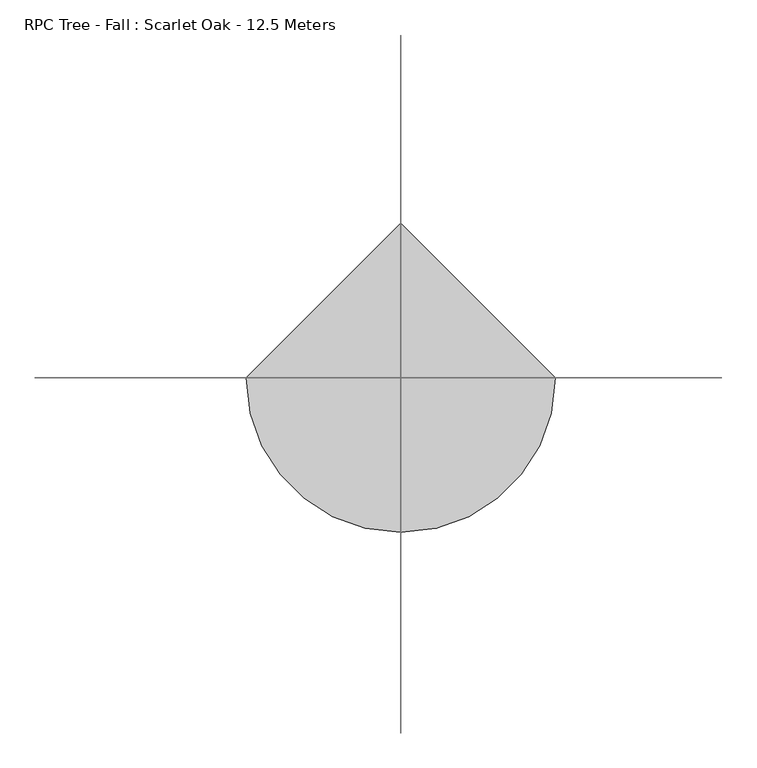
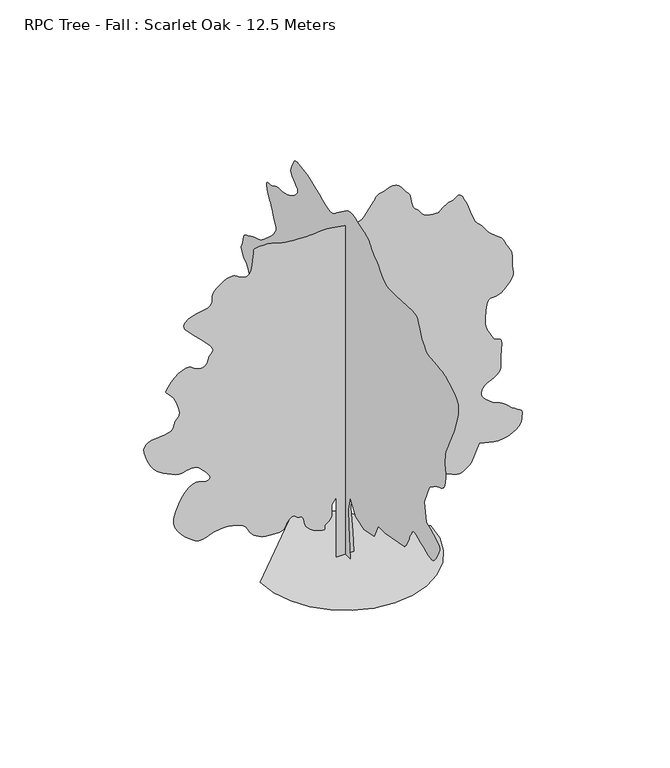
"""IFC4 building model written with IfcOpenShell, lengths in millimetres: geographic element geometry, RPC Tree - Fall : Scarlet Oak - 12.5 Meters."""

import ifcopenshell
import ifcopenshell.guid

model = None  # the IFC model being written
_history = None  # IfcOwnerHistory: only IFC2X3 demands one
_inside = {}  # id of a spatial element -> (the spatial element, [elements in it])
_under = {}  # id of a project, library or spatial element -> (it, [spatial elements below it])
_declared = {}  # id of a project -> (the project, [libraries it declares])
_typed = {}  # id of a type object -> (the type object, [elements of that type])
_made_of = {}  # id of a material, layer set ... -> (it, [elements and type objects made of it])


def new_model(schema):
    """Start an empty IFC model of exactly this schema.

    Asked for "IFC4X3", IfcOpenShell would pick the latest addendum, in which some entities
    have other attributes; the version numbers below select the first issue.
    IFC2X3 requires an IfcOwnerHistory on every rooted entity: one is made here for all.
    """
    global model, _history
    if schema == "IFC4X3":
        model = ifcopenshell.file(schema_version=(4, 3, 0, 0))
    else:
        model = ifcopenshell.file(schema=schema)
    _inside.clear()
    _under.clear()
    _declared.clear()
    _typed.clear()
    _made_of.clear()
    _history = None
    if model.schema == "IFC2X3":
        org = make("IfcOrganization", Name="unknown")
        user = make(
            "IfcPersonAndOrganization",
            ThePerson=make("IfcPerson", FamilyName="unknown"),
            TheOrganization=org,
        )
        app = make(
            "IfcApplication",
            ApplicationDeveloper=org,
            Version="unknown",
            ApplicationFullName="unknown",
            ApplicationIdentifier="unknown",
        )
        _history = make(
            "IfcOwnerHistory",
            OwningUser=user,
            OwningApplication=app,
            ChangeAction="ADDED",
            CreationDate=0,
        )
    return model


def make(cls, **values):
    """One entity of the class cls with the attributes given. An attribute that is None is left unset."""
    return model.create_entity(
        cls, **{name: value for name, value in values.items() if value is not None}
    )


def rooted(cls, **values):
    """An entity with a GlobalId (a new one), such as an element, a storey or a relation."""
    return make(cls, GlobalId=ifcopenshell.guid.new(), OwnerHistory=_history, **values)


def si_unit(unit_type, name, prefix=None):
    """IfcSIUnit, for example si_unit("LENGTHUNIT", "METRE", prefix="MILLI")."""
    return make("IfcSIUnit", UnitType=unit_type, Prefix=prefix, Name=name)


def assignment(units):
    """IfcUnitAssignment: the units of a project."""
    return None if units is None else make("IfcUnitAssignment", Units=units)


def point(xyz):
    """IfcCartesianPoint."""
    return None if xyz is None else make("IfcCartesianPoint", Coordinates=xyz)


def direction(xyz):
    """IfcDirection."""
    return None if xyz is None else make("IfcDirection", DirectionRatios=xyz)


def frame(location, z_axis=None, x_axis=None):
    """IfcAxis2Placement3D, a coordinate frame: its origin and axes. An axis left out is left unset."""
    return make(
        "IfcAxis2Placement3D",
        Location=point(location),
        Axis=direction(z_axis),
        RefDirection=direction(x_axis),
    )


def origin():
    """The frame at (0, 0, 0) with its axes left unset."""
    return frame((0.0, 0.0, 0.0))


def place(relative_to, where):
    """IfcLocalPlacement: puts the frame where relative to a parent placement (None: the world)."""
    return make(
        "IfcLocalPlacement", PlacementRelTo=relative_to, RelativePlacement=where
    )


def context(
    kind, dimensions, precision=None, world=None, true_north=None, identifier=None
):
    """IfcGeometricRepresentationContext, for example the 3D "Model" context."""
    return make(
        "IfcGeometricRepresentationContext",
        ContextIdentifier=identifier,
        ContextType=kind,
        CoordinateSpaceDimension=dimensions,
        Precision=precision,
        WorldCoordinateSystem=world,
        TrueNorth=true_north,
    )


def project(units=None, contexts=None):
    """IfcProject with its units and contexts."""
    return rooted(
        "IfcProject",
        Name="project",
        RepresentationContexts=contexts,
        UnitsInContext=assignment(units),
    )


def spatial(cls, under=None, at=None, **own):
    """A site, building, storey or space (cls), placed at a placement, below another one or the project."""
    s = rooted(cls, ObjectPlacement=at, **own)
    if under is not None:
        _under.setdefault(under.id(), (under, []))[1].append(s)
    return s


def point_list(points):
    """IfcCartesianPointList2D or 3D."""
    cls = (
        "IfcCartesianPointList2D" if len(points[0]) == 2 else "IfcCartesianPointList3D"
    )
    return make(cls, CoordList=points)


def triangles(points, corners, closed=None, point_numbers=None):
    """IfcTriangulatedFaceSet: each triangle names its three corners, points numbered from 1."""
    return make(
        "IfcTriangulatedFaceSet",
        Coordinates=point_list(points),
        Closed=closed,
        CoordIndex=corners,
        PnIndex=point_numbers,
    )


def shape(context_of_items, identifier, shape_type, items):
    """IfcShapeRepresentation: the items that make up one representation, for example the "Body"."""
    return make(
        "IfcShapeRepresentation",
        ContextOfItems=context_of_items,
        RepresentationIdentifier=identifier,
        RepresentationType=shape_type,
        Items=items,
    )


def source(mapping_origin, context_of_items, identifier, shape_type, items):
    """IfcRepresentationMap: a shape defined once, which mapped items show again and again."""
    return make(
        "IfcRepresentationMap",
        MappingOrigin=mapping_origin,
        MappedRepresentation=shape(context_of_items, identifier, shape_type, items),
    )


def transform(
    local_origin,
    x_axis=None,
    y_axis=None,
    z_axis=None,
    scale=None,
    scale2=None,
    scale3=None,
    uniform=True,
):
    """IfcCartesianTransformationOperator3D, or its non-uniform kind. x_axis, y_axis, z_axis: its Axis1, 2, 3."""
    if uniform:
        return make(
            "IfcCartesianTransformationOperator3D",
            Axis1=direction(x_axis),
            Axis2=direction(y_axis),
            LocalOrigin=point(local_origin),
            Scale=scale,
            Axis3=direction(z_axis),
        )
    return make(
        "IfcCartesianTransformationOperator3DnonUniform",
        Axis1=direction(x_axis),
        Axis2=direction(y_axis),
        LocalOrigin=point(local_origin),
        Scale=scale,
        Axis3=direction(z_axis),
        Scale2=scale2,
        Scale3=scale3,
    )


def mapped(mapping_source, mapping_target):
    """IfcMappedItem: shows the shape of a source again, moved by a transform."""
    return make(
        "IfcMappedItem", MappingSource=mapping_source, MappingTarget=mapping_target
    )


def made_of(thing, what):
    """Note that an element or type object is made of a material, layer set ...; save() writes the relation."""
    if what is not None:
        _made_of.setdefault(what.id(), (what, []))[1].append(thing)
    return thing


def element(
    cls,
    number,
    at=None,
    inside=None,
    cuts=None,
    type_object=None,
    material=None,
    context=None,
    identifier="Body",
    shape_type=None,
    held_by="IfcProductDefinitionShape",
    body=None,
    shapes=None,
    **own,
):
    """One element of the class cls, such as IfcWall. Its Tag is "e" and its number.

    at: its placement. inside: the storey or other place that contains it. cuts: it is an
    opening in that element (IfcRelVoidsElement). A single representation is given by context,
    identifier, shape_type and body (its items); several are given by shapes. held_by: the class
    of the entity that holds the representations. save() writes the other relations.
    """
    e = rooted(cls, Tag="e%d" % number, ObjectPlacement=at, **own)
    if body is not None:
        shapes = [shape(context, identifier, shape_type, body)]
    if shapes is not None:
        e.Representation = make(held_by, Representations=shapes)
    if inside is not None:
        _inside.setdefault(inside.id(), (inside, []))[1].append(e)
    if cuts is not None:
        rooted(
            "IfcRelVoidsElement", RelatingBuildingElement=cuts, RelatedOpeningElement=e
        )
    if type_object is not None:
        _typed.setdefault(type_object.id(), (type_object, []))[1].append(e)
    return made_of(e, material)


def aggregate(whole, parts):
    """IfcRelAggregates: a whole, such as a stair, and the parts it consists of."""
    return rooted("IfcRelAggregates", RelatingObject=whole, RelatedObjects=parts)


def save(model, path):
    """Write the relations noted so far, then the file.

    IfcRelAggregates (storeys below a building ...), IfcRelContainedInSpatialStructure (elements
    in a storey), IfcRelDefinesByType, IfcRelAssociatesMaterial and IfcRelDeclares: one each for
    every whole, place, type object, material and project.
    """
    for whole, parts in _under.values():
        aggregate(whole, parts)
    for where, things in _inside.values():
        rooted(
            "IfcRelContainedInSpatialStructure",
            RelatedElements=things,
            RelatingStructure=where,
        )
    for kind, things in _typed.values():
        rooted("IfcRelDefinesByType", RelatedObjects=things, RelatingType=kind)
    for what, things in _made_of.values():
        rooted("IfcRelAssociatesMaterial", RelatedObjects=things, RelatingMaterial=what)
    for by, libraries in _declared.values():
        rooted("IfcRelDeclares", RelatingContext=by, RelatedDefinitions=libraries)
    model.write(path)


def rpc_tree_fall_scarlet_oak_12_5_meters_d3d1dc00(model_context):
    return source(origin(), model_context, "Body", "Tessellation", [
        triangles([(0.0041401, 73.4418017, 0.0), (0.0041401, -70.4556014, 0.0), (0.0041401, -47.2463985, 273.868803), (0.0041401, -42.6044398, 403.840212), (0.0041401, -70.4556014, 524.5284122), (0.0041401, -144.7254049, 403.840212), (0.0041401, -265.4129964, 366.7055964), (0.0041401, -404.6682137, 399.1985985), (0.0041401, -460.3704097, 515.2446038), (0.0041401, -557.8494161, 515.2446038), (0.0041401, -827.0760424, 566.3051863), (0.0041401, -836.9819784, 578.2548203), (0.0041401, -846.6480309, 590.2854086), (0.0041401, -855.8220348, 602.4780147), (0.0041401, -864.2640341, 614.9160273), (0.0041401, -871.7339996, 627.678039), (0.0041401, -877.9860163, 640.84802), (0.0041401, -882.7799824, 654.4979862), (0.0041401, -887.4360209, 668.562026), (0.0041401, -893.3100082, 682.8660221), (0.0041401, -900.1980326, 697.3740028), (0.0041401, -907.8960365, 712.0440376), (0.0041401, -916.2059944, 726.8339779), (0.0041401, -924.9180353, 741.7079973), (0.0041401, -933.8400198, 756.6179884), (0.0041401, -938.0880163, 761.4360083), (0.0041401, -943.9620037, 765.3239977), (0.0041401, -953.0820139, 767.3400084), (0.0041401, -967.0740377, 766.5540098), (0.0041401, -987.5639935, 762.0359716), (0.0041401, -1016.1719856, 752.8440182), (0.0041401, -1054.5240051, 738.0540052), (0.0041401, -1095.0179724, 720.6480183), (0.0041401, -1129.5000246, 705.11401), (0.0041401, -1158.7860277, 692.7420181), (0.0041401, -1183.686034, 684.8400295), (0.0041401, -1205.0159821, 682.7040407), (0.0041401, -1223.5799652, 687.6299755), (0.0041401, -1240.2000263, 700.9200073), (0.0041401, -1256.9700783, 721.8539766), (0.0041401, -1274.3040493, 747.3359968), (0.0041401, -1290.5040779, 775.0920061), (0.0041401, -1303.8599487, 802.8480154), (0.0041401, -1312.6679867, 828.3300356), (0.0041401, -1315.2300396, 849.2700365), (0.0041401, -1309.8300785, 863.3820385), (0.0041401, -1296.6359711, 874.0079887), (0.0041401, -1277.5920753, 885.8460016), (0.0041401, -1253.6820522, 898.7040104), (0.0041401, -1225.8660175, 912.3719988), (0.0041401, -1195.1340271, 926.6520138), (0.0041401, -1162.4520103, 941.3340391), (0.0041401, -1128.7980326, 956.2199764), (0.0041401, -1100.9460262, 1114.0439913), (0.0041401, -1170.5699741, 1276.5059498), (0.0041401, -1172.7659883, 1279.6079407), (0.0041401, -1176.1739925, 1283.3940468), (0.0041401, -1182.0239988, 1288.5659695), (0.0041401, -1191.5220383, 1295.8079693), (0.0041401, -1205.8920187, 1305.8040161), (0.0041401, -1226.3579933, 1319.2559566), (0.0041401, -1254.1260658, 1336.8540104), (0.0041401, -1284.2519886, 1352.7960606), (0.0041401, -1310.9640209, 1363.2119946), (0.0041401, -1334.2679764, 1371.6840065), (0.0041401, -1354.1640003, 1381.782082), (0.0041401, -1370.6459885, 1397.0760612), (0.0041401, -1383.7200451, 1421.1360752), (0.0041401, -1393.3800659, 1457.5380684), (0.0041401, -1398.9720211, 1493.2919907), (0.0041401, -1400.5800625, 1516.2180622), (0.0041401, -1399.3500504, 1531.1040722), (0.0041401, -1396.4099682, 1542.7440594), (0.0041401, -1392.9059669, 1555.9259583), (0.0041401, -1389.9719891, 1575.437994), (0.0041401, -1388.7419769, 1606.080019), (0.0041401, -1389.1740726, 1639.8840603), (0.0041401, -1391.0700325, 1667.9220291), (0.0041401, -1395.318029, 1693.5300591), (0.0041401, -1402.8120483, 1720.0259708), (0.0041401, -1414.4520355, 1750.7460434), (0.0041401, -1431.1260178, 1789.0200153), (0.0041401, -1453.7220222, 1838.171957), (0.0041401, -1475.17798, 1882.6019485), (0.0041401, -1489.4820488, 1909.4100506), (0.0041401, -1499.1539875, 1925.9879631), (0.0041401, -1506.7199501, 1939.7220085), (0.0041401, -1514.6940273, 1958.0040321), (0.0041401, -1525.5840603, 1988.2260246), (0.0041401, -1541.9220165, 2037.7680588), (0.0041401, -1559.5260292, 2095.0799675), (0.0041401, -1571.3700737, 2144.4359665), (0.0041401, -1575.6600735, 2186.9699982), (0.0041401, -1570.6080563, 2223.8219639), (0.0041401, -1554.4379677, 2256.1259514), (0.0041401, -1525.3560219, 2285.0160484), (0.0041401, -1481.5739559, 2311.63797), (0.0041401, -1439.0939907, 2333.5200645), (0.0041401, -1411.1519463, 2348.5860054), (0.0041401, -1391.8140278, 2358.5279858), (0.0041401, -1375.1519634, 2365.0679935), (0.0041401, -1355.2440216, 2369.8980766), (0.0041401, -1326.1620758, 2374.7280144), (0.0041401, -1281.9779995, 2381.2680222), (0.0041401, -1234.5839447, 2386.422068), (0.0041401, -1197.827976, 2388.4139523), (0.0041401, -1168.704027, 2390.8860397), (0.0041401, -1144.21199, 2397.5039497), (0.0041401, -1121.3399849, 2411.9160061), (0.0041401, -1097.0879768, 2437.7820145), (0.0041401, -1068.449972, 2478.7440491), (0.0041401, -1043.4419781, 2523.7799629), (0.0041401, -1028.6640284, 2559.9719398), (0.0041401, -1019.0040075, 2588.1178963), (0.0041401, -1009.3380278, 2609.039875), (0.0041401, -994.5600054, 2623.5480011), (0.0041401, -969.5520115, 2632.4521088), (0.0041401, -929.1959719, 2636.5681366), (0.0041401, -706.3860254, 2622.6419518), (0.0041401, -665.3160032, 2623.3619659), (0.0041401, -631.8780006, 2623.2660416), (0.0041401, -603.4679978, 2624.9580894), (0.0041401, -577.4987981, 2631.0301025), (0.0041401, -551.3664179, 2644.0920959), (0.0041401, -522.473414, 2666.7299583), (0.0041401, -488.221217, 2701.5539955), (0.0041401, -455.2146197, 2736.7259766), (0.0041401, -430.4892031, 2760.6899208), (0.0041401, -412.0979928, 2776.4581444), (0.0041401, -398.0909989, 2787.0298828), (0.0041401, -386.5205933, 2795.4061157), (0.0041401, -375.4367858, 2804.5918922), (0.0041401, -362.8919847, 2817.6001099), (0.0041401, -350.847589, 2832.9599281), (0.0041401, -340.9949927, 2847.2639969), (0.0041401, -330.9809964, 2860.596032), (0.0041401, -318.4493849, 2873.0281219), (0.0041401, -301.045796, 2884.6559006), (0.0041401, -276.4151955, 2895.5520378), (0.0041401, -242.2038026, 2905.7941452), (0.0041401, -203.797208, 2917.0800842), (0.0041401, -167.9886015, 2929.5839722), (0.0041401, -134.5344026, 2941.1161171), (0.0041401, -103.1922024, 2949.4801414), (0.0041401, -73.7172028, 2952.4860626), (0.0041401, -45.8659186, 2947.9380844), (0.0041401, -19.3952392, 2933.6459335), (0.0041401, 119.8601984, 2831.526004), (0.0041401, 134.9358044, 2817.8038765), (0.0041401, 149.524803, 2805.2999886), (0.0041401, 165.4121963, 2795.2258942), (0.0041401, 184.3860018, 2788.8120415), (0.0041401, 208.2312033, 2787.2699844), (0.0041401, 238.7346103, 2791.8179626), (0.0041401, 277.682996, 2803.673925), (0.0041401, 321.8819879, 2821.278083), (0.0041401, 366.4056147, 2841.0780373), (0.0041401, 410.4419892, 2861.2861061), (0.0041401, 453.1793879, 2880.1079224), (0.0041401, 493.8060142, 2895.768013), (0.0041401, 531.5088, 2906.4720108), (0.0041401, 565.4772208, 2910.4380478), (0.0041401, 596.3730094, 2912.603904), (0.0041401, 625.0739828, 2917.5300568), (0.0041401, 651.1019726, 2922.8579292), (0.0041401, 673.9560282, 2926.242025), (0.0041401, 693.161978, 2925.3240578), (0.0041401, 708.2220325, 2917.746032), (0.0041401, 718.6559887, 2901.1499519), (0.0041401, 727.9799835, 2880.3000618), (0.0041401, 738.6839813, 2861.0701309), (0.0041401, 748.7399809, 2842.8119431), (0.0041401, 756.119981, 2824.878154), (0.0041401, 758.7839899, 2806.6260704), (0.0041401, 754.710038, 2787.3961395), (0.0041401, 741.8699787, 2766.5401451), (0.0041401, 722.2200153, 2747.4299744), (0.0041401, 701.1840174, 2732.4599579), (0.0041401, 681.9420233, 2719.5241196), (0.0041401, 667.6500177, 2706.5039841), (0.0041401, 661.4820076, 2691.2941566), (0.0041401, 666.5939775, 2671.7819756), (0.0041401, 686.1660387, 2645.8501282), (0.0041401, 713.1899706, 2620.0139145), (0.0041401, 738.6719908, 2601.1679718), (0.0041401, 762.774008, 2587.7519302), (0.0041401, 785.6580036, 2578.2420456), (0.0041401, 807.4860317, 2571.077948), (0.0041401, 828.4260326, 2564.7358932), (0.0041401, 848.6279972, 2557.6560928), (0.0041401, 868.8059807, 2552.2020653), (0.0041401, 889.5539875, 2550.4018845), (0.0041401, 910.8659861, 2550.2280579), (0.0041401, 932.748008, 2549.6461166), (0.0041401, 955.1999805, 2546.6279869), (0.0041401, 978.2219765, 2539.1400719), (0.0041401, 1001.8080368, 2525.1659248), (0.0041401, 1026.1859819, 2512.7521477), (0.0041401, 1050.1499989, 2508.3000938), (0.0041401, 1071.5999977, 2507.2559715), (0.0041401, 1088.4240435, 2505.0779068), (0.0041401, 1098.5040241, 2497.2179214), (0.0041401, 1099.7340363, 2479.121933), (0.0041401, 1090.0080311, 2446.2538811), (0.0041401, 1075.632019, 2411.6639866), (0.0041401, 1063.6980091, 2388.3600311), (0.0041401, 1053.221977, 2371.71003), (0.0041401, 1043.2379934, 2357.0940617), (0.0041401, 1032.762034, 2339.8799961), (0.0041401, 1020.8219925, 2315.4419529), (0.0041401, 1006.4520121, 2279.1479473), (0.0041401, 991.2660204, 2243.4479462), (0.0041401, 978.1979954, 2220.9000492), (0.0041401, 968.2079802, 2207.039994), (0.0041401, 962.279999, 2197.4039543), (0.0041401, 961.3860128, 2187.5279583), (0.0041401, 966.5040144, 2172.9359711), (0.0041401, 978.6000057, 2149.1760841), (0.0041401, 1000.1340111, 2117.6820763), (0.0041401, 1030.349972, 2084.244001), (0.0041401, 1065.4439781, 2050.8839733), (0.0041401, 1101.5879929, 2019.636026), (0.0041401, 1134.9780333, 1992.5280876), (0.0041401, 1161.78599, 1971.5940456), (0.0041401, 1178.2019938, 1958.856015), (0.0041401, 1192.7760315, 1950.8880421), (0.0041401, 1214.6579807, 1942.8360626), (0.0041401, 1240.9259995, 1934.6220291), (0.0041401, 1268.6580276, 1926.1620804), (0.0041401, 1294.9260464, 1917.3780235), (0.0041401, 1316.8079956, 1908.1919563), (0.0041401, 1331.3819607, 1898.5140587), (0.0041401, 1343.5860123, 1890.4739971), (0.0041401, 1359.1260521, 1884.7920765), (0.0041401, 1376.2020447, 1879.2720646), (0.0041401, 1393.038081, 1871.7180199), (0.0041401, 1407.8460434, 1859.946064), (0.0041401, 1418.8320007, 1841.7540058), (0.0041401, 1424.2200439, 1814.957967), (0.0041401, 1428.6299492, 1788.0420227), (0.0041401, 1436.207975, 1769.0040859), (0.0041401, 1444.4340717, 1754.9159924), (0.0041401, 1450.7999622, 1742.8559727), (0.0041401, 1452.7739697, 1729.9080711), (0.0041401, 1447.8479622, 1713.1380192), (0.0041401, 1433.5020355, 1689.6300064), (0.0041401, 1415.6939655, 1667.6099842), (0.0041401, 1401.2939724, 1654.4459621), (0.0041401, 1389.1679684, 1645.9079659), (0.0041401, 1378.1760521, 1637.7719799), (0.0041401, 1367.1899494, 1625.8199478), (0.0041401, 1355.0639454, 1605.8339584), (0.0041401, 1340.6639523, 1573.5840374), (0.0041401, 1324.9679626, 1541.2800499), (0.0041401, 1310.5679695, 1520.9160313), (0.0041401, 1298.7660736, 1507.9380444), (0.0041401, 1290.8639397, 1497.7979656), (0.0041401, 1288.1580002, 1485.9600254), (0.0041401, 1291.943961, 1467.8640369), (0.0041401, 1303.530027, 1438.9739399), (0.0041401, 1318.920076, 1407.3719444), (0.0041401, 1333.4100346, 1382.8379768), (0.0041401, 1347.2580265, 1363.3380043), (0.0041401, 1360.6919449, 1346.837994), (0.0041401, 1373.9700588, 1331.3159763), (0.0041401, 1387.326075, 1314.7380638), (0.0041401, 1401.0060539, 1295.0760372), (0.0041401, 1416.8819744, 1275.6840523), (0.0041401, 1435.3559921, 1259.8620529), (0.0041401, 1454.4780807, 1245.504063), (0.0041401, 1472.3040276, 1230.4920433), (0.0041401, 1486.8779926, 1212.7259766), (0.0041401, 1496.2560539, 1190.0820099), (0.0041401, 1498.4880398, 1160.4599808), (0.0041401, 1500.3659775, 1137.1980286), (0.0041401, 1507.2840145, 1129.5240057), (0.0041401, 1515.1739399, 1129.1580397), (0.0041401, 1519.9800419, 1127.8200399), (0.0041401, 1517.6339642, 1117.2240297), (0.0041401, 1504.0920582, 1089.0899912), (0.0041401, 1475.2800087, 1035.1320202), (0.0041401, 1445.1539406, 974.6099876), (0.0041401, 1426.9679867, 930.0900307), (0.0041401, 1415.5980412, 898.2299841), (0.0041401, 1405.9380203, 875.7120272), (0.0041401, 1392.8639637, 859.2000263), (0.0041401, 1371.263974, 845.3699839), (0.0041401, 1336.0260086, 830.8920158), (0.0041401, 1295.3399746, 819.1440411), (0.0041401, 1259.5319859, 814.2180336), (0.0041401, 1226.6460571, 813.8400043), (0.0041401, 1194.7379757, 815.7360369), (0.0041401, 1161.8519743, 817.6260378), (0.0041401, 1126.0439856, 817.2480085), (0.0041401, 1085.3639832, 812.3220011), (0.0041401, 1044.792041, 807.9120232), (0.0041401, 1009.7400381, 808.8600031), (0.0041401, 978.911978, 812.567989), (0.0041401, 951.0059778, 816.4380289), (0.0041401, 924.7260412, 817.8720257), (0.0041401, 898.7699947, 814.2720274), (0.0041401, 871.8360283, 803.0400095), (0.0041401, 846.0599854, 791.1000406), (0.0041401, 824.7420279, 784.848024), (0.0041401, 808.3800179, 780.8699965), (0.0041401, 797.4599722, 775.7580265), (0.0041401, 792.4679804, 766.0919741), (0.0041401, 793.8899866, 748.4759708), (0.0041401, 802.2120077, 719.4839905), (0.0041401, 815.6340082, 688.6860157), (0.0041401, 831.7380398, 666.8940319), (0.0041401, 850.0800161, 652.6199759), (0.0041401, 870.2040058, 644.3520212), (0.0041401, 891.6659952, 640.5899689), (0.0041401, 914.0219707, 639.8280241), (0.0041401, 936.8220325, 640.5720194), (0.0041401, 1025.0220268, 543.0959925), (0.0041401, 1031.9340322, 532.1202089), (0.0041401, 1038.5640055, 520.9422212), (0.0041401, 1044.629987, 509.3580082), (0.0041401, 1049.8380266, 497.1642031), (0.0041401, 1053.9119785, 484.1592193), (0.0041401, 1056.5639969, 470.1389995), (0.0041401, 1057.5119768, 454.9007944), (0.0041401, 1057.3499954, 439.0128107), (0.0041401, 1056.2159803, 423.2873898), (0.0041401, 1053.12598, 407.8872033), (0.0041401, 1047.1200239, 392.9736151), (0.0041401, 1037.2140152, 378.7098055), (0.0041401, 1022.4359928, 365.2577923), (0.0041401, 1001.8080368, 352.7802109), (0.0041401, 982.1340197, 342.1836193), (0.0041401, 968.3039772, 333.9420075), (0.0041401, 956.5020086, 327.568196), (0.0041401, 942.9119951, 322.5743875), (0.0041401, 923.7239948, 318.47402), (0.0041401, 895.1160027, 314.7791874), (0.0041401, 853.2719725, 311.0034004), (0.0041401, 805.6740057, 311.5446101), (0.0041401, 761.8140375, 319.8810199), (0.0041401, 720.875984, 334.1454108), (0.0041401, 682.0500109, 352.46882), (0.0041401, 644.5259932, 372.9851912), (0.0041401, 607.481997, 393.8262156), (0.0041401, 570.118798, 413.1240203), (0.0041401, 536.8001922, 430.6764009), (0.0041401, 511.0331966, 447.2543861), (0.0041401, 490.7064214, 462.4524047), (0.0041401, 473.7090214, 475.8636137), (0.0041401, 457.9296066, 487.0824057), (0.0041401, 441.2567871, 495.7032094), (0.0041401, 421.5797905, 501.3192183), (0.0041401, 399.9401957, 506.0555935), (0.0041401, 378.625799, 511.9289995), (0.0041401, 357.392393, 518.3711935), (0.0041401, 335.9970057, 524.8128061), (0.0041401, 314.1948117, 530.6862122), (0.0041401, 291.7434023, 535.4225873), (0.0041401, 268.3992059, 538.4537976), (0.0041401, 244.5270075, 540.0372039), (0.0041401, 220.6542096, 540.8898045), (0.0041401, 196.781993, 541.1333942), (0.0041401, 172.9097946, 540.8898045), (0.0041401, 149.0376053, 540.2807937), (0.0041401, 125.1647983, 539.4281931), (0.0041401, 101.2925999, 538.4537976), (0.0041401, 54.8743213, 468.8262162), (0.0041401, 45.5905221, 362.0640192), (67.3068019, 0.0001442, 0.0022109), (-71.9484018, 0.0001442, 0.0022109), (-71.9484018, 0.0001142, 510.6048071), (-109.0836033, 0.0001142, 459.544806), (-109.0836033, 0.0001202, 403.8426101), (-108.2310027, 0.0001202, 390.918617), (-108.2310027, 0.0001202, 378.0348104), (-109.9362039, 0.0001202, 365.2326121), (-114.1985981, 0.0001262, 352.5522088), (-121.8720033, 0.0001262, 340.0344046), (-133.8084023, 0.0001262, 327.7188046), (-150.8598051, 0.0001262, 315.647412), (-164.2169931, 0.0001262, 303.1158005), (-167.9118075, 0.0001262, 290.421608), (-167.059207, 0.0001262, 279.1085994), (-166.7747948, 0.0001262, 270.7175963), (-172.1747922, 0.0001262, 266.7929994), (-188.3736036, 0.0001262, 268.8774107), (-220.4873956, 0.0001262, 278.5127964), (-257.1216057, 0.0001262, 293.5212008), (-284.4990044, 0.0001262, 310.4778148), (-304.1621937, 0.0001262, 329.0592024), (-317.654993, 0.0001262, 348.9389846), (-326.5193865, 0.0001202, 369.7931986), (-332.2979945, 0.0001202, 391.2971912), (-336.5340005, 0.0001202, 413.1264184), (-337.6164199, 0.0001202, 419.0670078), (-339.2267867, 0.0001202, 424.8456159), (-341.8926124, 0.0001202, 430.3001884), (-346.1423893, 0.0001202, 435.2664187), (-352.5023935, 0.0001202, 439.5834154), (-361.5023892, 0.0001202, 443.0886157), (-373.6686161, 0.0001202, 445.6194205), (-385.8348066, 0.0001202, 449.7870077), (-395.4023912, 0.0001202, 456.7974083), (-403.7526083, 0.0001142, 464.3760155), (-412.2648067, 0.0001142, 470.2494215), (-422.3201886, 0.0001142, 472.1442186), (-435.2982119, 0.0001142, 467.7864178), (-452.5800058, 0.0001202, 454.9026112), (-467.7774067, 0.0001202, 436.8767856), (-476.3982104, 0.0001202, 419.2566038), (-482.663998, 0.0001202, 403.0170064), (-490.7970045, 0.0001202, 389.1318074), (-505.0205913, 0.0001202, 378.5766014), (-529.5557942, 0.0001202, 372.3240034), (-568.6260112, 0.0001202, 371.3496079), (-611.7960142, 0.0001202, 374.2188005), (-646.8480171, 0.0001202, 378.955212), (-675.318009, 0.0001202, 385.7219865), (-698.7600374, 0.0001202, 394.6805966), (-718.7099825, 0.0001202, 405.9941866), (-736.704015, 0.0001202, 419.8253918), (-754.301996, 0.0001202, 436.3356122), (-769.2239777, 0.0001202, 454.4423922), (-779.9340071, 0.0001142, 472.6313982), (-789.012014, 0.0001142, 490.4135977), (-799.0680136, 0.0001142, 507.3030101), (-812.6939987, 0.0001142, 522.8118018), (-832.4940256, 0.0001142, 536.453411), (-861.0600145, 0.0001142, 547.7400041), (-889.7820259, 0.0001142, 556.3194222), (-910.6199982, 0.0001081, 562.3823879), (-927.0780052, 0.0001081, 566.2530092), (-942.6420261, 0.0001081, 568.255794), (-960.79804, 0.0001081, 568.716013), (-985.0499754, 0.0001081, 567.9582104), (-1018.8840294, 0.0001081, 566.307003), (-1056.0840117, 0.0001081, 560.4474043), (-1089.1500166, 0.0001142, 549.5531928), (-1119.612038, 0.0001142, 537.6846222), (-1149.0180193, 0.0001142, 528.9018007), (-1178.9159763, 0.0001142, 527.2644007), (-1210.8359756, 0.0001142, 536.8320216), (-1246.3320648, 0.0001081, 561.6653895), (-1283.471949, 0.0001081, 594.8753901), (-1317.7620071, 0.0001081, 627.8400204), (-1346.9400227, 0.0001021, 662.0279772), (-1368.7260475, 0.0001021, 698.8920061), (-1380.8520515, 0.0001021, 739.8959713), (-1381.0440456, 9.61e-05, 786.5040276), (-1367.0220818, 9.61e-05, 840.1740074), (-1343.5560722, 9.01e-05, 894.306023), (-1317.407959, 9.01e-05, 940.7279715), (-1289.316069, 8.41e-05, 978.5399803), (-1260.0059395, 8.41e-05, 1006.8479908), (-1230.2039795, 8.41e-05, 1024.7639757), (-1200.6480074, 8.41e-05, 1031.3999805), (-1172.0639963, 8.41e-05, 1025.8500286), (-1145.1059761, 8.41e-05, 1016.5140432), (-1121.2380289, 8.41e-05, 1012.5299841), (-1102.3979725, 8.41e-05, 1014.155975), (-1090.5420101, 8.41e-05, 1021.6260132), (-1087.6200228, 8.41e-05, 1035.186014), (-1095.5760052, 8.41e-05, 1055.0820379), (-1116.3599836, 7.81e-05, 1081.5540413), (-1140.6000011, 7.81e-05, 1108.1040195), (-1159.0740189, 7.81e-05, 1128.5640352), (-1173.9720194, 7.81e-05, 1143.6660204), (-1187.4900169, 7.81e-05, 1154.1419798), (-1201.8240257, 7.81e-05, 1160.7180319), (-1219.1579967, 7.21e-05, 1164.131995), (-1241.6939758, 7.21e-05, 1165.1040287), (-1264.8059372, 7.81e-05, 1162.9260366), (-1283.946048, 7.81e-05, 1157.9040321), (-1301.3759434, 7.81e-05, 1152.3180359), (-1319.3760075, 7.81e-05, 1148.4299738), (-1340.2139797, 7.81e-05, 1148.5260435), (-1366.1699535, 7.81e-05, 1154.8739845), (-1399.5180634, 7.21e-05, 1169.748004), (-1434.9060196, 7.21e-05, 1187.5440107), (-1466.0699604, 7.21e-05, 1202.9820219), (-1493.9099762, 7.21e-05, 1218.834034), (-1519.3079899, 7.21e-05, 1237.8479897), (-1543.1700508, 7.21e-05, 1262.7839676), (-1566.3780819, 6.61e-05, 1296.4140369), (-1589.8320282, 6.61e-05, 1341.4980583), (-1609.2240131, 6.01e-05, 1388.2799412), (-1619.9280109, 6.01e-05, 1425.8879654), (-1622.3519909, 6.01e-05, 1455.3780258), (-1616.8979633, 5.41e-05, 1477.8000584), (-1603.9740429, 5.41e-05, 1494.2160622), (-1583.9880535, 5.41e-05, 1505.6759731), (-1557.3360466, 5.41e-05, 1513.2420811), (-1525.8719788, 5.41e-05, 1517.586002), (-1492.6260429, 5.41e-05, 1520.1480549), (-1459.7760132, 5.41e-05, 1523.1060139), (-1429.5300396, 5.41e-05, 1528.668029), (-1404.0779594, 5.41e-05, 1539.0240829), (-1385.6039417, 5.41e-05, 1556.358054), (-1376.3040733, 4.81e-05, 1582.8719879), (-1369.4339985, 4.81e-05, 1608.4740589), (-1358.8199661, 4.81e-05, 1625.1480412), (-1347.5639671, 4.81e-05, 1638.1680313), (-1338.7380524, 4.81e-05, 1652.8079807), (-1335.4379631, 4.21e-05, 1674.3540493), (-1340.7419998, 4.21e-05, 1708.080043), (-1357.7399448, 4.21e-05, 1759.2600586), (-1381.812022, 3.6e-05, 1809.6719524), (-1404.8340179, 3.6e-05, 1841.4060619), (-1424.6040321, 3.6e-05, 1860.2339825), (-1438.9380409, 3e-05, 1871.910014), (-1445.6339985, 3e-05, 1882.2060425), (-1442.5080265, 3e-05, 1896.8939541), (-1427.3640381, 3e-05, 1921.7280487), (-1402.9560802, 3e-05, 1952.7180176), (-1374.725972, 2.4e-05, 1980.9479805), (-1344.5459827, 2.4e-05, 2004.7920193), (-1314.281987, 2.4e-05, 2022.6300293), (-1285.8120678, 2.4e-05, 2032.8299881), (-1260.9900364, 2.4e-05, 2033.7780407), (-1241.6939758, 2.4e-05, 2023.8479782), (-1222.7759445, 2.4e-05, 2009.0400158), (-1199.4719891, 2.4e-05, 1997.4840351), (-1174.2180073, 2.4e-05, 1990.7159889), (-1149.4500423, 2.4e-05, 1990.2840385), (-1127.6100237, 2.4e-05, 1997.7299503), (-1111.1280355, 2.4e-05, 2014.5899677), (-1102.4399757, 2.4e-05, 2042.4119614), (-1094.4780344, 2.4e-05, 2068.9379585), (-1081.9740011, 1.8e-05, 2084.6640335), (-1070.0399912, 1.8e-05, 2095.2719616), (-1063.7879745, 1.8e-05, 2106.4500584), (-1068.3360254, 1.8e-05, 2123.8799538), (-1088.7960411, 1.8e-05, 2153.2499634), (-1130.2919821, 1.2e-05, 2200.2360489), (-1182.3239805, 1.2e-05, 2253.3120243), (-1228.8360397, 6e-06, 2298.0239754), (-1266.5819916, 6e-06, 2335.6740028), (-1292.303968, 6e-06, 2367.5579578), (-1302.7680096, 0.0, 2394.9780865), (-1294.7160301, 0.0, 2419.2299492), (-1264.9020069, 0.0, 2441.6099785), (-1225.1400444, 0.0, 2458.8539841), (-1189.5239771, 0.0, 2468.705999), (-1158.2099728, 0.0, 2474.0100357), (-1131.3600128, -6e-06, 2477.6101067), (-1109.136006, -6e-06, 2482.34412), (-1091.7060379, -6e-06, 2491.0619019), (-1079.2259857, -6e-06, 2506.5961281), (-1073.0039818, -6e-06, 2524.9740761), (-1072.0560019, -6e-06, 2541.078035), (-1073.1360231, -6e-06, 2556.0480515), (-1073.0039818, -6e-06, 2571.0180679), (-1068.4020098, -1.2e-05, 2587.1220268), (-1056.0840117, -1.2e-05, 2605.4999748), (-1032.8099962, -1.2e-05, 2627.286145), (-1004.3219822, -1.2e-05, 2648.8441315), (-978.2700113, -1.2e-05, 2665.6140381), (-954.2520006, -1.8e-05, 2677.344136), (-931.8540218, -1.8e-05, 2683.8001373), (-910.673992, -1.8e-05, 2684.7361267), (-890.3040144, -1.8e-05, 2679.9000847), (-870.3480377, -1.2e-05, 2669.0641182), (-849.7740028, -1.2e-05, 2655.8160896), (-828.5580013, -1.2e-05, 2645.4899757), (-807.7440102, -1.2e-05, 2640.4379585), (-788.3879969, -1.2e-05, 2643.0241379), (-771.5520332, -1.2e-05, 2655.5940102), (-758.2920141, -1.8e-05, 2680.5119659), (-749.6580208, -1.8e-05, 2720.1240829), (-744.5039749, -1.8e-05, 2762.6581146), (-740.8079796, -2.4e-05, 2795.5261665), (-738.3300058, -2.4e-05, 2819.874099), (-736.8300247, -2.4e-05, 2836.8300407), (-736.0560167, -2.4e-05, 2847.5340385), (-735.7739845, -2.4e-05, 2853.1261391), (-735.7319813, -2.4e-05, 2854.7338898), (-729.6300282, -2.4e-05, 2855.6820877), (-713.0519703, -2.4e-05, 2857.7700417), (-688.5959776, -2.4e-05, 2859.8518913), (-658.8660336, -2.4e-05, 2860.8000893), (-626.4539858, -2.4e-05, 2859.4740074), (-593.9598209, -2.4e-05, 2854.7338898), (-563.9843977, -2.4e-05, 2845.4518982), (-536.4983937, -2.4e-05, 2835.126075), (-508.9313991, -2.4e-05, 2827.6439735), (-480.0653921, -2.4e-05, 2822.4300476), (-448.6818063, -2.4e-05, 2818.925901), (-413.563819, -2.4e-05, 2816.5620918), (-373.4922097, -2.4e-05, 2814.761911), (-327.2496108, -2.4e-05, 2812.9620209), (-282.6179964, -2.4e-05, 2812.7038971), (-245.8620096, -2.4e-05, 2814.8819618), (-213.4908023, -2.4e-05, 2817.954158), (-182.0129999, -2.4e-05, 2820.378138), (-147.9372001, -2.4e-05, 2820.606031), (-107.7708019, -2.4e-05, 2817.1018845), (-58.0231798, -2.4e-05, 2808.3181183), (-7.73418, -2.4e-05, 2797.8719536), (32.8109992, -2.4e-05, 2790.6721024), (65.2362025, -2.4e-05, 2787.1260979), (91.1658016, -2.4e-05, 2787.6359505), (112.2234007, -2.4e-05, 2792.6219833), (130.0325971, -2.4e-05, 2802.4739983), (146.2182007, -2.4e-05, 2817.6001099), (215.8458003, -3e-05, 2905.7941452), (226.2936001, -3e-05, 2919.3959312), (234.6300098, -3e-05, 2932.187883), (242.1540055, -3e-05, 2943.917981), (250.1657985, -3e-05, 2954.3519371), (259.9638014, -3e-05, 2963.2441269), (272.847608, -3e-05, 2970.3480537), (290.1155947, -3e-05, 2975.4239067), (311.2812178, -3.6e-05, 2981.2439003), (334.3956136, -3.6e-05, 2989.0140656), (358.5653955, -3.6e-05, 2996.1299103), (382.8983943, -3.6e-05, 3000.0000229), (406.500006, -3.6e-05, 2998.0260155), (428.4774073, -3.6e-05, 2987.6039772), (447.9383924, -3e-05, 2966.1419151), (465.219605, -3e-05, 2941.662014), (481.0397876, -3e-05, 2922.6181183), (495.0738147, -3e-05, 2907.0661606), (506.9964154, -3e-05, 2893.0620735), (516.4830093, -3e-05, 2878.6501625), (523.2090159, -2.4e-05, 2861.8799652), (526.8492007, -2.4e-05, 2840.8079956), (529.3800056, -2.4e-05, 2818.9680496), (532.8852058, -2.4e-05, 2800.7819504), (537.2022025, -2.4e-05, 2785.6381073), (542.1683965, -1.8e-05, 2772.930162), (547.6223877, -1.8e-05, 2762.0459427), (553.4009957, -1.8e-05, 2752.3860672), (559.3422029, -1.8e-05, 2743.3319687), (565.3505934, -1.8e-05, 2739.2580894), (571.6031914, -1.8e-05, 2734.6138962), (578.3423876, -1.8e-05, 2728.8360512), (585.8130072, -1.8e-05, 2721.3539497), (594.2574045, -1.8e-05, 2711.5981499), (603.9180067, -1.8e-05, 2698.9980469), (615.042037, -1.8e-05, 2682.9900124), (631.5299841, -1.2e-05, 2667.7740807), (654.8340122, -1.2e-05, 2657.3581467), (681.5459719, -1.2e-05, 2650.8300568), (708.2580042, -1.2e-05, 2647.3139923), (731.5620323, -1.2e-05, 2645.903904), (748.0499794, -1.2e-05, 2645.7181595), (754.301996, -1.2e-05, 2645.8559418), (757.5060156, -1.2e-05, 2649.1978889), (766.3200125, -1.2e-05, 2657.8139328), (779.5139746, -1.2e-05, 2669.6039108), (795.8759846, -1.8e-05, 2682.4441154), (814.1819893, -1.8e-05, 2694.2340935), (833.2260303, -1.8e-05, 2702.8559509), (851.778023, -1.8e-05, 2706.1978981), (868.4100019, -1.8e-05, 2710.272068), (883.0920273, -1.8e-05, 2719.4581352), (896.7239714, -1.8e-05, 2729.2139351), (910.1879751, -1.8e-05, 2734.9978844), (924.3839836, -1.8e-05, 2732.250087), (940.205983, -1.8e-05, 2716.4280876), (958.5420004, -1.8e-05, 2682.9900124), (975.8099871, -1.2e-05, 2643.7020035), (988.6919769, -1.2e-05, 2611.967894), (998.4899981, -1.2e-05, 2585.6700806), (1006.4999743, -6e-06, 2562.70811), (1014.0240063, -6e-06, 2540.9579842), (1022.3639769, -6e-06, 2518.3201218), (1032.8099962, -6e-06, 2492.6699432), (1043.5440067, 0.0, 2470.1640495), (1052.7300013, 0.0, 2455.8599808), (1061.6760395, 0.0, 2446.025988), (1071.6779726, 0.0, 2436.9179684), (1084.032015, 0.0, 2424.8040276), (1100.0399769, 0.0, 2405.9519806), (1121.0040316, 0.0, 2376.6239742), (1146.8100145, 6e-06, 2343.9839607), (1175.1359745, 6e-06, 2316.7020504), (1203.948024, 6e-06, 2293.3140884), (1231.2180164, 1.2e-05, 2272.3679832), (1254.9120644, 1.2e-05, 2252.3940571), (1273.0080528, 1.2e-05, 2231.9280098), (1283.471949, 1.2e-05, 2209.5180405), (1291.6859825, 1.2e-05, 2187.5400215), (1303.1460388, 1.8e-05, 2167.8359917), (1315.992057, 1.8e-05, 2148.1319618), (1328.3459541, 1.8e-05, 2126.1540882), (1338.3479599, 1.8e-05, 2099.63405), (1344.1259502, 2.4e-05, 2066.2860855), (1343.8140507, 2.4e-05, 2023.8479782), (1343.178043, 2.4e-05, 1983.0600609), (1346.6820442, 3e-05, 1953.312022), (1350.5100082, 3e-05, 1930.3080482), (1350.8519932, 3e-05, 1909.7340134), (1343.880035, 3e-05, 1887.3000629), (1325.7900055, 3.6e-05, 1858.6859665), (1292.7539406, 3.6e-05, 1819.6020149), (1253.5499382, 3.6e-05, 1786.7880295), (1219.5419849, 3.6e-05, 1773.6180485), (1190.807983, 3.6e-05, 1770.7619728), (1167.4380432, 3.6e-05, 1768.8840351), (1149.5040361, 4.21e-05, 1758.6359688), (1137.0959999, 4.21e-05, 1730.6940697), (1130.2860231, 4.21e-05, 1675.7100712), (1127.7419924, 4.81e-05, 1614.8640759), (1128.1259806, 4.81e-05, 1572.0419804), (1131.5040447, 5.41e-05, 1541.976083), (1137.9779955, 5.41e-05, 1519.3739742), (1147.6140352, 5.41e-05, 1498.9679523), (1160.4960251, 5.41e-05, 1475.4720028), (1176.7080442, 6.01e-05, 1443.6179878), (1195.2060431, 6.01e-05, 1415.916045), (1213.8719822, 6.01e-05, 1403.315942), (1231.1520321, 6.01e-05, 1398.1860226), (1245.510022, 6.01e-05, 1392.8940491), (1255.4040401, 6.01e-05, 1379.8080746), (1259.2860706, 6.61e-05, 1351.2900478), (1255.6200153, 6.61e-05, 1299.7199398), (1250.6399414, 7.21e-05, 1242.8639626), (1249.8780693, 7.21e-05, 1201.2779835), (1250.7480743, 7.21e-05, 1171.4640329), (1250.6399414, 7.81e-05, 1149.9359865), (1246.9560093, 7.81e-05, 1133.1960199), (1237.1039944, 7.81e-05, 1117.7519772), (1218.4860174, 7.81e-05, 1100.1180244), (1195.9920416, 7.81e-05, 1083.5820425), (1176.0960176, 7.81e-05, 1072.4040184), (1158.5579893, 7.81e-05, 1064.5560236), (1143.1320414, 8.41e-05, 1058.0040253), (1129.5720406, 8.41e-05, 1050.7259811), (1117.6380306, 8.41e-05, 1040.6819721), (1107.0779921, 8.41e-05, 1025.8500286), (1098.6899866, 8.41e-05, 1008.678039), (1093.9500143, 8.41e-05, 992.4780104), (1093.6799726, 8.41e-05, 976.5240423), (1098.6899866, 9.01e-05, 960.0780258), (1109.7840042, 9.01e-05, 942.4200193), (1127.7839956, 9.01e-05, 922.8060276), (1153.5000132, 9.01e-05, 900.5219954), (1180.7519835, 9.01e-05, 880.9920101), (1203.8699764, 9.01e-05, 868.1999857), (1224.3839859, 9.61e-05, 859.230039), (1243.8480595, 9.61e-05, 851.1540058), (1263.7920456, 9.61e-05, 841.0440125), (1285.7700645, 9.61e-05, 825.9779989), (1311.3180691, 9.61e-05, 803.0400095), (1338.4440296, 9.61e-05, 779.3460342), (1363.4519508, 9.61e-05, 762.3900198), (1385.3760487, 0.0001021, 749.8139706), (1403.2380398, 0.0001021, 739.2720268), (1416.0660358, 0.0001021, 728.405975), (1422.8880032, 0.0001021, 714.8580374), (1422.7259491, 0.0001021, 696.2760321), (1420.0620129, 0.0001021, 675.1800087), (1418.4480125, 0.0001081, 655.3799818), (1415.5380157, 0.0001081, 636.4740137), (1408.9740269, 0.0001081, 618.0600214), (1396.4040092, 0.0001081, 599.7204068), (1375.4699673, 0.0001081, 581.0579922), (1343.8140507, 0.0001081, 561.6653895), (1306.0140324, 0.0001142, 545.9670018), (1268.219973, 0.0001142, 537.820188), (1230.4199547, 0.0001142, 535.9661951), (1192.620009, 0.0001142, 539.1461972), (1154.8260223, 0.0001142, 546.1019863), (1117.026004, 0.0001142, 555.5753906), (1079.2259857, 0.0001081, 566.307003), (1014.2399815, 0.0001202, 422.4101904), (998.3160261, 0.0001202, 408.6060184), (982.3020327, 0.0001202, 395.5331972), (966.1320168, 0.0001202, 383.9219873), (949.716013, 0.0001202, 374.5026132), (932.9759737, 0.0001202, 368.0070067), (915.8280378, 0.0001202, 365.1653924), (898.1940125, 0.0001202, 366.7079945), (883.824032, 0.0001202, 370.2126134), (874.7280029, 0.0001202, 373.1496071), (868.23603, 0.0001202, 376.0866008), (861.6599779, 0.0001202, 379.5912197), (852.3180336, 0.0001202, 384.2334146), (837.5400112, 0.0001202, 390.5801929), (814.644025, 0.0001202, 399.2009966), (784.8180113, 0.0001202, 411.7188008), (752.2319916, 0.0001202, 428.296786), (718.6679792, 0.0001202, 447.3108144), (685.9199781, 0.0001142, 467.1366028), (655.76397, 0.0001142, 486.1505948), (629.9999903, 0.0001142, 502.7286163), (610.4040207, 0.0001142, 515.2470019), (593.8109928, 0.0001142, 526.2761979), (576.0017964, 0.0001142, 539.2542212), (557.176819, 0.0001142, 553.8569999), (537.5405903, 0.0001081, 569.7582095), (517.2948057, 0.0001081, 586.6338146), (496.6434136, 0.0001081, 604.1579993), (475.7891996, 0.0001081, 622.0080362), (471.1470048, 0.0001021, 691.6380157), (378.3101933, 0.0001021, 700.9200073), (211.2036055, 0.0001021, 686.9940405), (99.799804, 0.0001081, 626.6520115), (53.3811621, 0.0001142, 515.2470019), (44.09754, 0.0001202, 385.2749934), (58.0229391, 0.0001322, 171.7505994), (-685.4160118, 0.0, 0.0053831), (-667.2959696, -157.052405, 0.0053831), (-615.6900352, -301.2804111, 0.0053831), (-534.7320045, -428.5505859, 0.0053831), (-428.5505859, -534.7320045, 0.0053831), (-301.2804111, -615.6900352, 0.0053831), (-157.052405, -667.2959696, 0.0053831), (3e-05, -685.4160118, 0.0053831), (157.052405, -667.2959696, 0.0053831), (301.2804111, -615.6900352, 0.0053831), (428.5505859, -534.7320045, 0.0053831), (534.7320045, -428.5505859, 0.0053831), (615.6900352, -301.2804111, 0.0053831), (667.2959696, -157.052405, 0.0053831), (685.4160118, 6.01e-05, 0.0053831), (-8.99e-05, 685.4160118, 0.0053831)], [[1, 2, 3], [368, 1, 3], [368, 3, 4], [367, 368, 4], [367, 4, 5], [277, 278, 279], [366, 367, 5], [276, 277, 279], [276, 279, 280], [7, 8, 9], [6, 7, 9], [5, 6, 9], [315, 316, 317], [201, 202, 203], [200, 201, 203], [200, 203, 204], [199, 200, 204], [199, 204, 205], [198, 199, 205], [198, 205, 206], [198, 206, 207], [197, 198, 207], [197, 207, 208], [275, 276, 280], [196, 197, 208], [195, 196, 208], [194, 195, 208], [194, 208, 209], [193, 194, 209], [192, 193, 209], [192, 209, 210], [191, 192, 210], [191, 210, 211], [191, 211, 212], [190, 191, 212], [190, 212, 213], [190, 213, 214], [189, 190, 214], [189, 214, 215], [188, 189, 215], [187, 188, 215], [186, 187, 215], [10, 11, 12], [314, 315, 317], [10, 12, 13], [10, 13, 14], [10, 14, 15], [10, 15, 16], [10, 16, 17], [10, 17, 18], [10, 18, 19], [10, 19, 20], [10, 20, 21], [10, 21, 22], [185, 186, 215], [185, 215, 216], [275, 280, 281], [10, 22, 23], [167, 168, 169], [166, 167, 169], [165, 166, 169], [165, 169, 170], [164, 165, 170], [164, 170, 171], [163, 164, 171], [163, 171, 172], [163, 172, 173], [163, 173, 174], [163, 174, 175], [163, 175, 176], [163, 176, 177], [163, 177, 178], [163, 178, 179], [163, 179, 180], [162, 163, 180], [161, 162, 180], [160, 161, 180], [159, 160, 180], [159, 180, 181], [158, 159, 181], [157, 158, 181], [156, 157, 181], [156, 181, 182], [155, 156, 182], [154, 155, 182], [154, 182, 183], [9, 10, 23], [9, 23, 24], [9, 24, 25], [45, 46, 47], [44, 45, 47], [44, 47, 48], [43, 44, 48], [43, 48, 49], [42, 43, 49], [42, 49, 50], [41, 42, 50], [40, 41, 50], [40, 50, 51], [39, 40, 51], [38, 39, 51], [37, 38, 51], [36, 37, 51], [35, 36, 51], [34, 35, 51], [33, 34, 51], [33, 51, 52], [32, 33, 52], [32, 52, 53], [31, 32, 53], [30, 31, 53], [29, 30, 53], [28, 29, 53], [28, 53, 54], [27, 28, 54], [26, 27, 54], [5, 9, 25], [5, 25, 26], [5, 26, 54], [5, 54, 55], [366, 5, 55], [365, 366, 55], [364, 365, 55], [363, 364, 55], [362, 363, 55], [361, 362, 55], [361, 55, 56], [153, 154, 183], [153, 183, 184], [313, 314, 317], [360, 361, 56], [184, 185, 216], [153, 184, 216], [152, 153, 216], [152, 216, 217], [243, 244, 245], [242, 243, 245], [242, 245, 246], [241, 242, 246], [241, 246, 247], [241, 247, 248], [240, 241, 248], [240, 248, 249], [240, 249, 250], [239, 240, 250], [239, 250, 251], [238, 239, 251], [237, 238, 251], [236, 237, 251], [235, 236, 251], [234, 235, 251], [233, 234, 251], [232, 233, 251], [231, 232, 251], [230, 231, 251], [229, 230, 251], [228, 229, 251], [228, 251, 252], [227, 228, 252], [226, 227, 252], [226, 252, 253], [226, 253, 254], [226, 254, 255], [226, 255, 256], [226, 256, 257], [225, 226, 257], [224, 225, 257], [223, 224, 257], [222, 223, 257], [222, 257, 258], [221, 222, 258], [220, 221, 258], [115, 116, 117], [114, 115, 117], [114, 117, 118], [113, 114, 118], [113, 118, 119], [112, 113, 119], [111, 112, 119], [110, 111, 119], [152, 217, 218], [313, 317, 318], [313, 318, 319], [313, 319, 320], [313, 320, 321], [313, 321, 322], [313, 322, 323], [313, 323, 324], [313, 324, 325], [313, 325, 326], [313, 326, 327], [313, 327, 328], [313, 328, 329], [313, 329, 330], [313, 330, 331], [313, 331, 332], [313, 332, 333], [313, 333, 334], [313, 334, 335], [313, 335, 336], [313, 336, 337], [313, 337, 338], [313, 338, 339], [313, 339, 340], [313, 340, 341], [312, 313, 341], [312, 341, 342], [312, 342, 343], [311, 312, 343], [311, 343, 344], [311, 344, 345], [310, 311, 345], [310, 345, 346], [310, 346, 347], [310, 347, 348], [309, 310, 348], [309, 348, 349], [309, 349, 350], [308, 309, 350], [308, 350, 351], [307, 308, 351], [307, 351, 352], [307, 352, 353], [307, 353, 354], [307, 354, 355], [307, 355, 356], [307, 356, 357], [307, 357, 358], [306, 307, 358], [306, 358, 359], [306, 359, 360], [306, 360, 56], [305, 306, 56], [305, 56, 57], [304, 305, 57], [303, 304, 57], [302, 303, 57], [301, 302, 57], [301, 57, 58], [301, 58, 59], [110, 119, 120], [109, 110, 120], [109, 120, 121], [301, 59, 60], [300, 301, 60], [300, 60, 61], [151, 152, 218], [109, 121, 122], [300, 61, 62], [145, 146, 147], [144, 145, 147], [143, 144, 147], [143, 147, 148], [142, 143, 148], [141, 142, 148], [140, 141, 148], [140, 148, 149], [139, 140, 149], [138, 139, 149], [137, 138, 149], [136, 137, 149], [135, 136, 149], [134, 135, 149], [133, 134, 149], [132, 133, 149], [132, 149, 150], [131, 132, 150], [130, 131, 150], [129, 130, 150], [128, 129, 150], [127, 128, 150], [126, 127, 150], [126, 150, 151], [126, 151, 218], [125, 126, 218], [124, 125, 218], [123, 124, 218], [123, 218, 219], [122, 123, 219], [109, 122, 219], [108, 109, 219], [108, 219, 220], [108, 220, 258], [108, 258, 259], [108, 259, 260], [108, 260, 261], [108, 261, 262], [107, 108, 262], [107, 262, 263], [107, 263, 264], [106, 107, 264], [106, 264, 265], [106, 265, 266], [106, 266, 267], [106, 267, 268], [105, 106, 268], [104, 105, 268], [103, 104, 268], [102, 103, 268], [101, 102, 268], [100, 101, 268], [99, 100, 268], [98, 99, 268], [97, 98, 268], [96, 97, 268], [95, 96, 268], [94, 95, 268], [93, 94, 268], [92, 93, 268], [91, 92, 268], [90, 91, 268], [89, 90, 268], [88, 89, 268], [87, 88, 268], [86, 87, 268], [85, 86, 268], [84, 85, 268], [83, 84, 268], [82, 83, 268], [81, 82, 268], [80, 81, 268], [79, 80, 268], [78, 79, 268], [77, 78, 268], [76, 77, 268], [75, 76, 268], [74, 75, 268], [73, 74, 268], [72, 73, 268], [71, 72, 268], [70, 71, 268], [69, 70, 268], [68, 69, 268], [67, 68, 268], [66, 67, 268], [65, 66, 268], [64, 65, 268], [63, 64, 268], [62, 63, 268], [300, 62, 268], [299, 300, 268], [298, 299, 268], [297, 298, 268], [296, 297, 268], [295, 296, 268], [294, 295, 268], [293, 294, 268], [292, 293, 268], [291, 292, 268], [290, 291, 268], [289, 290, 268], [288, 289, 268], [287, 288, 268], [286, 287, 268], [285, 286, 268], [284, 285, 268], [283, 284, 268], [282, 283, 268], [281, 282, 268], [275, 281, 268], [275, 268, 269], [274, 275, 269], [274, 269, 270], [274, 270, 271], [273, 274, 271], [272, 273, 271], [802, 369, 370], [802, 370, 371], [801, 802, 371], [800, 801, 371], [575, 576, 577], [799, 800, 371], [574, 575, 577], [383, 384, 385], [383, 385, 386], [382, 383, 386], [382, 386, 387], [381, 382, 387], [381, 387, 388], [794, 795, 796], [510, 511, 512], [574, 577, 578], [573, 574, 578], [572, 573, 578], [572, 578, 579], [571, 572, 579], [571, 579, 580], [570, 571, 580], [570, 580, 581], [570, 581, 582], [569, 570, 582], [569, 582, 583], [569, 583, 584], [568, 569, 584], [568, 584, 585], [509, 510, 512], [509, 512, 513], [508, 509, 513], [508, 513, 514], [508, 514, 515], [507, 508, 515], [507, 515, 516], [507, 516, 517], [507, 517, 518], [507, 518, 519], [507, 519, 520], [507, 520, 521], [507, 521, 522], [506, 507, 522], [506, 522, 523], [505, 506, 523], [505, 523, 524], [504, 505, 524], [568, 585, 586], [504, 524, 525], [538, 539, 540], [538, 540, 541], [537, 538, 541], [537, 541, 542], [536, 537, 542], [536, 542, 543], [536, 543, 544], [535, 536, 544], [535, 544, 545], [535, 545, 546], [534, 535, 546], [534, 546, 547], [533, 534, 547], [533, 547, 548], [381, 388, 389], [380, 381, 389], [380, 389, 390], [380, 390, 391], [380, 391, 392], [380, 392, 393], [379, 380, 393], [378, 379, 393], [377, 378, 393], [376, 377, 393], [375, 376, 393], [374, 375, 393], [373, 374, 393], [372, 373, 393], [372, 393, 394], [372, 394, 395], [372, 395, 396], [372, 396, 397], [372, 397, 398], [371, 372, 398], [371, 398, 399], [532, 533, 548], [371, 399, 400], [567, 568, 586], [567, 586, 587], [657, 658, 659], [657, 659, 660], [656, 657, 660], [656, 660, 661], [655, 656, 661], [655, 661, 662], [654, 655, 662], [654, 662, 663], [653, 654, 663], [652, 653, 663], [651, 652, 663], [650, 651, 663], [649, 650, 663], [649, 663, 664], [648, 649, 664], [647, 648, 664], [647, 664, 665], [647, 665, 666], [647, 666, 667], [647, 667, 668], [647, 668, 669], [793, 794, 796], [713, 714, 715], [713, 715, 716], [712, 713, 716], [712, 716, 717], [711, 712, 717], [646, 647, 669], [711, 717, 718], [567, 587, 588], [645, 646, 669], [645, 669, 670], [750, 751, 752], [749, 750, 752], [748, 749, 752], [748, 752, 753], [747, 748, 753], [747, 753, 754], [747, 754, 755], [747, 755, 756], [747, 756, 757], [747, 757, 758], [747, 758, 759], [747, 759, 760], [746, 747, 760], [746, 760, 761], [746, 761, 762], [745, 746, 762], [745, 762, 763], [745, 763, 764], [744, 745, 764], [743, 744, 764], [743, 764, 765], [742, 743, 765], [741, 742, 765], [741, 765, 766], [740, 741, 766], [739, 740, 766], [738, 739, 766], [737, 738, 766], [736, 737, 766], [735, 736, 766], [644, 645, 670], [567, 588, 589], [792, 793, 796], [371, 400, 401], [371, 401, 402], [371, 402, 403], [371, 403, 404], [371, 404, 405], [799, 371, 405], [799, 405, 406], [766, 767, 768], [488, 489, 490], [488, 490, 491], [487, 488, 491], [487, 491, 492], [486, 487, 492], [486, 492, 493], [485, 486, 493], [485, 493, 494], [485, 494, 495], [484, 485, 495], [483, 484, 495], [483, 495, 496], [482, 483, 496], [481, 482, 496], [480, 481, 496], [479, 480, 496], [479, 496, 497], [478, 479, 497], [477, 478, 497], [476, 477, 497], [475, 476, 497], [474, 475, 497], [473, 474, 497], [472, 473, 497], [471, 472, 497], [471, 497, 498], [470, 471, 498], [469, 470, 498], [469, 498, 499], [468, 469, 499], [468, 499, 500], [468, 500, 501], [468, 501, 502], [468, 502, 503], [467, 468, 503], [466, 467, 503], [466, 503, 504], [466, 504, 525], [465, 466, 525], [465, 525, 526], [464, 465, 526], [463, 464, 526], [735, 766, 768], [735, 768, 769], [735, 769, 770], [735, 770, 771], [735, 771, 772], [735, 772, 773], [735, 773, 774], [735, 774, 775], [735, 775, 776], [735, 776, 777], [735, 777, 778], [735, 778, 779], [735, 779, 780], [735, 780, 781], [735, 781, 782], [735, 782, 783], [735, 783, 784], [735, 784, 785], [735, 785, 786], [735, 786, 787], [735, 787, 788], [735, 788, 789], [735, 789, 790], [735, 790, 791], [735, 791, 792], [735, 792, 796], [734, 735, 796], [733, 734, 796], [732, 733, 796], [731, 732, 796], [731, 796, 797], [730, 731, 797], [567, 589, 590], [455, 456, 457], [454, 455, 457], [453, 454, 457], [453, 457, 458], [452, 453, 458], [451, 452, 458], [451, 458, 459], [450, 451, 459], [449, 450, 459], [448, 449, 459], [447, 448, 459], [446, 447, 459], [445, 446, 459], [444, 445, 459], [443, 444, 459], [442, 443, 459], [441, 442, 459], [440, 441, 459], [439, 440, 459], [438, 439, 459], [437, 438, 459], [437, 459, 460], [436, 437, 460], [435, 436, 460], [434, 435, 460], [434, 460, 461], [433, 434, 461], [432, 433, 461], [431, 432, 461], [430, 431, 461], [429, 430, 461], [428, 429, 461], [428, 461, 462], [427, 428, 462], [411, 412, 413], [411, 413, 414], [410, 411, 414], [410, 414, 415], [409, 410, 415], [409, 415, 416], [409, 416, 417], [408, 409, 417], [408, 417, 418], [408, 418, 419], [408, 419, 420], [408, 420, 421], [408, 421, 422], [408, 422, 423], [408, 423, 424], [408, 424, 425], [408, 425, 426], [407, 408, 426], [407, 426, 427], [407, 427, 462], [406, 407, 462], [799, 406, 462], [799, 462, 463], [799, 463, 526], [798, 799, 526], [798, 526, 527], [798, 527, 528], [798, 528, 529], [798, 529, 530], [798, 530, 531], [797, 798, 531], [730, 797, 531], [729, 730, 531], [728, 729, 531], [728, 531, 532], [728, 532, 548], [728, 548, 549], [728, 549, 550], [727, 728, 550], [726, 727, 550], [725, 726, 550], [724, 725, 550], [723, 724, 550], [722, 723, 550], [721, 722, 550], [720, 721, 550], [719, 720, 550], [718, 719, 550], [711, 718, 550], [710, 711, 550], [709, 710, 550], [708, 709, 550], [707, 708, 550], [706, 707, 550], [705, 706, 550], [704, 705, 550], [703, 704, 550], [702, 703, 550], [701, 702, 550], [701, 550, 551], [701, 551, 552], [701, 552, 553], [701, 553, 554], [701, 554, 555], [701, 555, 556], [701, 556, 557], [701, 557, 558], [701, 558, 559], [700, 701, 559], [699, 700, 559], [698, 699, 559], [697, 698, 559], [696, 697, 559], [617, 618, 619], [616, 617, 619], [615, 616, 619], [615, 619, 620], [614, 615, 620], [613, 614, 620], [613, 620, 621], [612, 613, 621], [612, 621, 622], [611, 612, 622], [610, 611, 622], [609, 610, 622], [608, 609, 622], [607, 608, 622], [606, 607, 622], [605, 606, 622], [604, 605, 622], [604, 622, 623], [604, 623, 624], [604, 624, 625], [604, 625, 626], [604, 626, 627], [604, 627, 628], [604, 628, 629], [604, 629, 630], [604, 630, 631], [604, 631, 632], [603, 604, 632], [603, 632, 633], [602, 603, 633], [602, 633, 634], [602, 634, 635], [602, 635, 636], [602, 636, 637], [602, 637, 638], [602, 638, 639], [602, 639, 640], [602, 640, 641], [601, 602, 641], [643, 644, 670], [643, 670, 671], [567, 590, 591], [566, 567, 591], [692, 693, 694], [692, 694, 695], [691, 692, 695], [691, 695, 696], [690, 691, 696], [680, 681, 682], [689, 690, 696], [679, 680, 682], [679, 682, 683], [678, 679, 683], [559, 560, 561], [559, 561, 562], [559, 562, 563], [566, 591, 592], [642, 643, 671], [642, 671, 672], [642, 672, 673], [642, 673, 674], [642, 674, 675], [642, 675, 676], [600, 601, 641], [688, 689, 696], [687, 688, 696], [686, 687, 696], [685, 686, 696], [684, 685, 696], [683, 684, 696], [678, 683, 696], [677, 678, 696], [676, 677, 696], [642, 676, 696], [641, 642, 696], [600, 641, 696], [599, 600, 696], [598, 599, 696], [597, 598, 696], [596, 597, 696], [595, 596, 696], [594, 595, 696], [593, 594, 696], [592, 593, 696], [566, 592, 696], [565, 566, 696], [564, 565, 696], [564, 696, 559], [564, 559, 563], [817, 818, 803], [816, 817, 803], [816, 803, 804], [815, 816, 804], [815, 804, 805], [815, 805, 806], [814, 815, 806], [813, 814, 806], [813, 806, 807], [813, 807, 808], [813, 808, 809], [813, 809, 810], [813, 810, 811], [813, 811, 812]], closed=False),
    ])


if __name__ == "__main__":
    model = new_model("IFC4")
    model_context = context("Model", 3, world=origin())
    ifc_project = project(units=[si_unit("LENGTHUNIT", "METRE", prefix="MILLI")], contexts=[model_context])
    site = spatial("IfcSite", under=ifc_project)
    building = spatial("IfcBuilding", under=site)
    placement = place(None, origin())
    rpc_tree_fall_scarlet_oak_12_5_meters_shape = rpc_tree_fall_scarlet_oak_12_5_meters_d3d1dc00(model_context)
    element("IfcGeographicElement", 1, ObjectType="RPC Tree - Fall : Scarlet Oak - 12.5 Meters", at=placement, inside=building, context=model_context, shape_type="MappedRepresentation", body=[
        mapped(rpc_tree_fall_scarlet_oak_12_5_meters_shape, transform((0.0, 0.0, 0.0), x_axis=(1.0, 0.0, 0.0), y_axis=(0.0, 1.0, 0.0), z_axis=(0.0, 0.0, 1.0))),
    ])
    save(model, "model.ifc")
